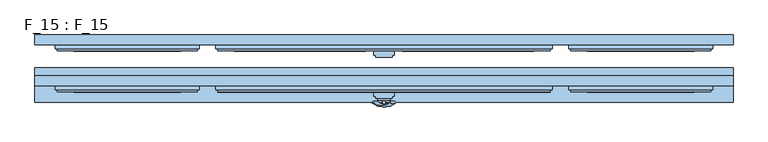
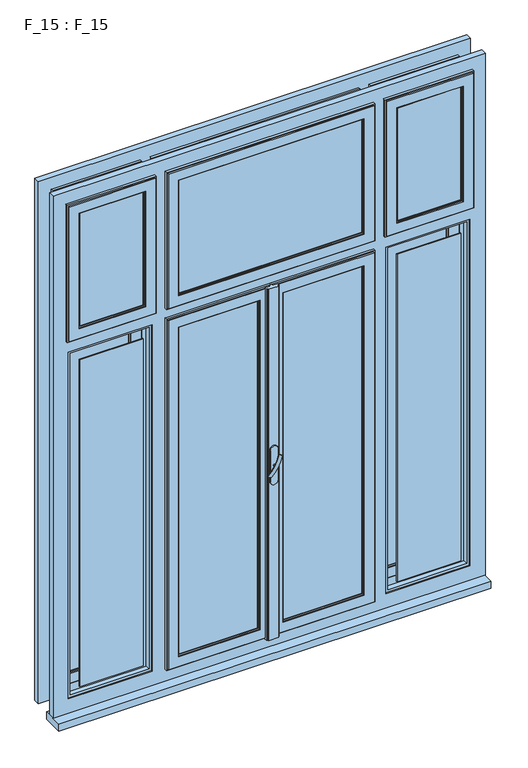
"""IFC4 building model written with IfcOpenShell, lengths in millimetres: window geometry, F_15 : F_15."""

from ifc_helpers import new_model, si_unit, point, frame, frame_2d, origin, place, context, project, spatial, polyline, circle_curve, ellipse_curve, trimmed, segment, composite_curve, outline, extrude, faceted_brep, source, transform, mapped, element, save
from ifc_brep_helpers import plane_surface, revolved_surface, advanced_brep


def f_15_f_15_3b615af8(model_context):
    return source(origin(), model_context, "Body", "SolidModel", [
        advanced_brep(
        [(-28.5497704, -85.2287724, 1583.0503474), (-14.693364, -85.2287724, 1575.0503474), (14.693364, -85.2287724, 1657.9496533), (28.5497704, -85.2287724, 1649.9496533)],
        [
            (0, 1, ellipse_curve(frame((-21.6215672, -85.2287724, 1579.0503474), z_axis=(-0.46984631039295827, 0.3420201433256777, -0.8137976813493676), x_axis=(0.8660254037844349, 0.0, -0.5000000000000066)), 8.0, 3.5)),
            (1, 0, ellipse_curve(frame((-21.6215672, -85.2287724, 1579.0503474), z_axis=(-0.46984631039295827, 0.3420201433256777, -0.8137976813493676), x_axis=(0.8660254037844349, 0.0, -0.5000000000000066)), 8.0, 3.5)),
            (2, 3, ellipse_curve(frame((21.6215672, -85.2287724, 1653.9496533), z_axis=(0.46984631039296154, 0.3420201433256599, 0.8137976813493732), x_axis=(0.8660254037844355, 0.0, -0.5000000000000056)), 8.0, 3.5)),
            (3, 2, ellipse_curve(frame((21.6215672, -85.2287724, 1653.9496533), z_axis=(0.46984631039296154, 0.3420201433256599, 0.8137976813493732), x_axis=(0.8660254037844355, 0.0, -0.5000000000000056)), 8.0, 3.5)),
            (3, 1, circle_curve(frame((6.9282032, 33.580763, 1612.5000003), z_axis=(0.8660254037844353, 0.0, -0.500000000000006), x_axis=(-0.1710100716628409, -0.9396926207859051, -0.29619813272603046)), 126.4344667)),
            (0, 2, circle_curve(frame((-6.9282032, 33.580763, 1620.5000003), z_axis=(-0.8660254037844353, 0.0, 0.500000000000006), x_axis=(-0.1710100716628409, -0.9396926207859051, -0.29619813272603046)), 126.4344667)),
        ],
        [
            plane_surface(frame((40.0926994, -82.5471681, 1544.5466146), z_axis=(-0.4698463103929582, 0.34202014332567776, -0.8137976813493677), x_axis=(-0.8660254037844352, 0.0, 0.500000000000006))),
            plane_surface(frame((82.3598097, -82.5471681, 1617.755397), z_axis=(0.4698463103929615, 0.34202014332565983, 0.8137976813493734), x_axis=(-0.8660254037844352, 0.0, 0.500000000000006))),
            revolved_surface(trimmed(ellipse_curve(frame((-21.6215672, -85.2287724, 1579.0503474), z_axis=(-0.46984631039295827, 0.3420201433256777, -0.8137976813493676), x_axis=(0.8660254037844349, 0.0, -0.5000000000000066)), 8.0, 3.5), [point((-28.5497704, -85.2287724, 1583.0503474))], [point((-14.693364, -85.2287724, 1575.0503474))], True, "CARTESIAN"), (61.2262546, 33.580763, 1581.1510058), (-0.8660254037844353, 0.0, 0.500000000000006)),
            revolved_surface(trimmed(ellipse_curve(frame((-21.6215672, -85.2287724, 1579.0503474), z_axis=(-0.46984631039295827, 0.3420201433256777, -0.8137976813493676), x_axis=(0.8660254037844349, 0.0, -0.5000000000000066)), 8.0, 3.5), [point((-14.693364, -85.2287724, 1575.0503474))], [point((-28.5497704, -85.2287724, 1583.0503474))], True, "CARTESIAN"), (61.2262546, 33.580763, 1581.1510058), (-0.8660254037844353, 0.0, 0.500000000000006)),
        ],
        [
            (0, [[1, 2]]),
            (1, [[3, 4]]),
            (2, [[5, -1, 6, -4]]),
            (3, [[-6, -2, -5, -3]]),
        ],
    ),
        extrude(outline(composite_curve([segment(trimmed(circle_curve(frame_2d((1616.5000003, 0.0)), 3.5), [point((1616.5000003, -3.5))], [point((1616.5000003, 3.5))], False, "CARTESIAN"), True, "CONTINUOUS"), segment(trimmed(circle_curve(frame_2d((1616.5000003, 0.0)), 3.5), [point((1616.5000003, 3.5))], [point((1616.5000003, -3.5))], False, "CARTESIAN"), True, "CONTINUOUS")], self_intersect=False)), frame((0.0, -90.0, 0.0), z_axis=(0.0, 1.0, 0.0), x_axis=(0.0, 0.0, 1.0)), (0.0, 0.0, 1.0), 10.0),
        extrude(outline(composite_curve([segment(polyline([(1680.8020112, -15.0), (1550.8020112, -15.0)]), True, "CONTINUOUS"), segment(trimmed(circle_curve(frame_2d((1550.8020112, 0.0)), 15.0), [point((1550.8020112, -15.0))], [point((1550.8020112, 15.0))], False, "CARTESIAN"), True, "CONTINUOUS"), segment(polyline([(1550.8020112, 15.0), (1680.8020112, 15.0)]), True, "CONTINUOUS"), segment(trimmed(circle_curve(frame_2d((1680.8020112, 0.0)), 15.0), [point((1680.8020112, 15.0))], [point((1680.8020112, -15.0))], False, "CARTESIAN"), True, "CONTINUOUS")], self_intersect=False)), frame((0.0, -80.0, 0.0), z_axis=(0.0, 1.0, 0.0), x_axis=(0.0, 0.0, 1.0)), (0.0, 0.0, 1.0), 5.0),
        extrude(outline(polyline([(850.0, -85.0), (-850.0, -85.0), (-850.0, 0.0), (850.0, 0.0), (850.0, -85.0)])), frame((0.0, 0.0, 810.0), z_axis=(0.0, 0.0, 1.0), x_axis=(1.0, 0.0, 0.0)), (0.0, 0.0, 1.0), 30.0),
        faceted_brep([(400.0, 60.0, 2950.0), (400.0, 55.0, 2950.0), (400.0, 55.0, 2400.0000003), (400.0, 60.0, 2400.0000003), (365.0, 55.0, 2915.0), (365.0, 60.0, 2915.0), (365.0, 60.0, 2435.0000003), (365.0, 55.0, 2435.0000003), (360.0, 45.0, 2910.0), (360.0, 55.0, 2910.0), (360.0, 55.0, 2440.0000003), (360.0, 45.0, 2440.0000003), (365.0, 40.0, 2915.0), (365.0, 45.0, 2915.0), (365.0, 45.0, 2435.0000003), (365.0, 40.0, 2435.0000003), (405.0, 45.0, 2955.0), (405.0, 40.0, 2955.0), (405.0, 40.0, 2395.0000003), (405.0, 45.0, 2395.0000003), (410.0, 55.0, 2960.0), (410.0, 45.0, 2960.0), (410.0, 45.0, 2390.0000003), (410.0, 55.0, 2390.0000003), (-400.0, 55.0, 2400.0000003), (-400.0, 60.0, 2400.0000003), (-365.0, 60.0, 2435.0000003), (-365.0, 55.0, 2435.0000003), (-360.0, 55.0, 2440.0000003), (-360.0, 45.0, 2440.0000003), (-365.0, 45.0, 2435.0000003), (-365.0, 40.0, 2435.0000003), (-405.0, 40.0, 2395.0000003), (-405.0, 45.0, 2395.0000003), (-410.0, 45.0, 2390.0000003), (-410.0, 55.0, 2390.0000003), (-400.0, 55.0, 2950.0), (-400.0, 60.0, 2950.0), (-365.0, 60.0, 2915.0), (-365.0, 55.0, 2915.0), (-360.0, 55.0, 2910.0), (-360.0, 45.0, 2910.0), (-365.0, 45.0, 2915.0), (-365.0, 40.0, 2915.0), (-405.0, 40.0, 2955.0), (-405.0, 45.0, 2955.0), (-410.0, 45.0, 2960.0), (-410.0, 55.0, 2960.0)], [[[0, 1, 2, 3]], [[4, 5, 6, 7]], [[8, 9, 10, 11]], [[12, 13, 14, 15]], [[16, 17, 18, 19]], [[20, 21, 22, 23]], [[3, 2, 24, 25]], [[7, 6, 26, 27]], [[11, 10, 28, 29]], [[15, 14, 30, 31]], [[19, 18, 32, 33]], [[23, 22, 34, 35]], [[25, 24, 36, 37]], [[27, 26, 38, 39]], [[29, 28, 40, 41]], [[31, 30, 42, 43]], [[33, 32, 44, 45]], [[35, 34, 46, 47]], [[23, 35, 47, 20], [1, 36, 24, 2]], [[37, 36, 1, 0]], [[3, 25, 37, 0], [5, 38, 26, 6]], [[39, 38, 5, 4]], [[7, 27, 39, 4], [9, 40, 28, 10]], [[41, 40, 9, 8]], [[13, 42, 30, 14], [11, 29, 41, 8]], [[43, 42, 13, 12]], [[17, 44, 32, 18], [15, 31, 43, 12]], [[45, 44, 17, 16]], [[21, 46, 34, 22], [19, 33, 45, 16]], [[47, 46, 21, 20]]]),
        faceted_brep([(460.0, 55.0, 2950.0), (460.0, 60.0, 2950.0), (460.0, 60.0, 2400.0000003), (460.0, 55.0, 2400.0000003), (495.0, 60.0, 2915.0), (495.0, 55.0, 2915.0), (495.0, 55.0, 2435.0000003), (495.0, 60.0, 2435.0000003), (500.0, 55.0, 2910.0), (500.0, 45.0, 2910.0), (500.0, 45.0, 2440.0000003), (500.0, 55.0, 2440.0000003), (495.0, 45.0, 2915.0), (495.0, 40.0, 2915.0), (495.0, 40.0, 2435.0000003), (495.0, 45.0, 2435.0000003), (455.0, 40.0, 2955.0), (455.0, 45.0, 2955.0), (455.0, 45.0, 2395.0000003), (455.0, 40.0, 2395.0000003), (450.0, 45.0, 2960.0), (450.0, 55.0, 2960.0), (450.0, 55.0, 2390.0000003), (450.0, 45.0, 2390.0000003), (790.0, 60.0, 2400.0000003), (790.0, 55.0, 2400.0000003), (755.0, 55.0, 2435.0000003), (755.0, 60.0, 2435.0000003), (750.0, 45.0, 2440.0000003), (750.0, 55.0, 2440.0000003), (755.0, 40.0, 2435.0000003), (755.0, 45.0, 2435.0000003), (795.0, 45.0, 2395.0000003), (795.0, 40.0, 2395.0000003), (800.0, 55.0, 2390.0000003), (800.0, 45.0, 2390.0000003), (790.0, 60.0, 2950.0), (790.0, 55.0, 2950.0), (755.0, 55.0, 2915.0), (755.0, 60.0, 2915.0), (750.0, 45.0, 2910.0), (750.0, 55.0, 2910.0), (755.0, 40.0, 2915.0), (755.0, 45.0, 2915.0), (795.0, 45.0, 2955.0), (795.0, 40.0, 2955.0), (800.0, 55.0, 2960.0), (800.0, 45.0, 2960.0)], [[[0, 1, 2, 3]], [[4, 5, 6, 7]], [[8, 9, 10, 11]], [[12, 13, 14, 15]], [[16, 17, 18, 19]], [[20, 21, 22, 23]], [[3, 2, 24, 25]], [[7, 6, 26, 27]], [[11, 10, 28, 29]], [[15, 14, 30, 31]], [[19, 18, 32, 33]], [[23, 22, 34, 35]], [[25, 24, 36, 37]], [[27, 26, 38, 39]], [[29, 28, 40, 41]], [[31, 30, 42, 43]], [[33, 32, 44, 45]], [[35, 34, 46, 47]], [[21, 46, 34, 22], [3, 25, 37, 0]], [[37, 36, 1, 0]], [[1, 36, 24, 2], [7, 27, 39, 4]], [[39, 38, 5, 4]], [[5, 38, 26, 6], [11, 29, 41, 8]], [[41, 40, 9, 8]], [[15, 31, 43, 12], [9, 40, 28, 10]], [[43, 42, 13, 12]], [[19, 33, 45, 16], [13, 42, 30, 14]], [[45, 44, 17, 16]], [[23, 35, 47, 20], [17, 44, 32, 18]], [[47, 46, 21, 20]]]),
        faceted_brep([(-460.0, 60.0, 2950.0), (-460.0, 55.0, 2950.0), (-460.0, 55.0, 2400.0000003), (-460.0, 60.0, 2400.0000003), (-495.0, 55.0, 2915.0), (-495.0, 60.0, 2915.0), (-495.0, 60.0, 2435.0000003), (-495.0, 55.0, 2435.0000003), (-500.0, 45.0, 2910.0), (-500.0, 55.0, 2910.0), (-500.0, 55.0, 2440.0000003), (-500.0, 45.0, 2440.0000003), (-495.0, 40.0, 2915.0), (-495.0, 45.0, 2915.0), (-495.0, 45.0, 2435.0000003), (-495.0, 40.0, 2435.0000003), (-455.0, 45.0, 2955.0), (-455.0, 40.0, 2955.0), (-455.0, 40.0, 2395.0000003), (-455.0, 45.0, 2395.0000003), (-450.0, 55.0, 2960.0), (-450.0, 45.0, 2960.0), (-450.0, 45.0, 2390.0000003), (-450.0, 55.0, 2390.0000003), (-790.0, 55.0, 2400.0000003), (-790.0, 60.0, 2400.0000003), (-755.0, 60.0, 2435.0000003), (-755.0, 55.0, 2435.0000003), (-750.0, 55.0, 2440.0000003), (-750.0, 45.0, 2440.0000003), (-755.0, 45.0, 2435.0000003), (-755.0, 40.0, 2435.0000003), (-795.0, 40.0, 2395.0000003), (-795.0, 45.0, 2395.0000003), (-800.0, 45.0, 2390.0000003), (-800.0, 55.0, 2390.0000003), (-790.0, 55.0, 2950.0), (-790.0, 60.0, 2950.0), (-755.0, 60.0, 2915.0), (-755.0, 55.0, 2915.0), (-750.0, 55.0, 2910.0), (-750.0, 45.0, 2910.0), (-755.0, 45.0, 2915.0), (-755.0, 40.0, 2915.0), (-795.0, 40.0, 2955.0), (-795.0, 45.0, 2955.0), (-800.0, 45.0, 2960.0), (-800.0, 55.0, 2960.0)], [[[0, 1, 2, 3]], [[4, 5, 6, 7]], [[8, 9, 10, 11]], [[12, 13, 14, 15]], [[16, 17, 18, 19]], [[20, 21, 22, 23]], [[3, 2, 24, 25]], [[7, 6, 26, 27]], [[11, 10, 28, 29]], [[15, 14, 30, 31]], [[19, 18, 32, 33]], [[23, 22, 34, 35]], [[25, 24, 36, 37]], [[27, 26, 38, 39]], [[29, 28, 40, 41]], [[31, 30, 42, 43]], [[33, 32, 44, 45]], [[35, 34, 46, 47]], [[23, 35, 47, 20], [1, 36, 24, 2]], [[37, 36, 1, 0]], [[3, 25, 37, 0], [5, 38, 26, 6]], [[39, 38, 5, 4]], [[7, 27, 39, 4], [9, 40, 28, 10]], [[41, 40, 9, 8]], [[13, 42, 30, 14], [11, 29, 41, 8]], [[43, 42, 13, 12]], [[17, 44, 32, 18], [15, 31, 43, 12]], [[45, 44, 17, 16]], [[21, 46, 34, 22], [19, 33, 45, 16]], [[47, 46, 21, 20]]]),
        faceted_brep([(400.0, -40.0, 2950.0), (400.0, -45.0, 2950.0), (400.0, -45.0, 2400.0000003), (400.0, -40.0, 2400.0000003), (365.0, -45.0, 2915.0), (365.0, -40.0, 2915.0), (365.0, -40.0, 2435.0000003), (365.0, -45.0, 2435.0000003), (360.0, -55.0, 2910.0), (360.0, -45.0, 2910.0), (360.0, -45.0, 2440.0000003), (360.0, -55.0, 2440.0000003), (365.0, -60.0, 2915.0), (365.0, -55.0, 2915.0), (365.0, -55.0, 2435.0000003), (365.0, -60.0, 2435.0000003), (405.0, -55.0, 2955.0), (405.0, -60.0, 2955.0), (405.0, -60.0, 2395.0000003), (405.0, -55.0, 2395.0000003), (410.0, -45.0, 2960.0), (410.0, -55.0, 2960.0), (410.0, -55.0, 2390.0000003), (410.0, -45.0, 2390.0000003), (-400.0, -45.0, 2400.0000003), (-400.0, -40.0, 2400.0000003), (-365.0, -40.0, 2435.0000003), (-365.0, -45.0, 2435.0000003), (-360.0, -45.0, 2440.0000003), (-360.0, -55.0, 2440.0000003), (-365.0, -55.0, 2435.0000003), (-365.0, -60.0, 2435.0000003), (-405.0, -60.0, 2395.0000003), (-405.0, -55.0, 2395.0000003), (-410.0, -55.0, 2390.0000003), (-410.0, -45.0, 2390.0000003), (-400.0, -45.0, 2950.0), (-400.0, -40.0, 2950.0), (-365.0, -40.0, 2915.0), (-365.0, -45.0, 2915.0), (-360.0, -45.0, 2910.0), (-360.0, -55.0, 2910.0), (-365.0, -55.0, 2915.0), (-365.0, -60.0, 2915.0), (-405.0, -60.0, 2955.0), (-405.0, -55.0, 2955.0), (-410.0, -55.0, 2960.0), (-410.0, -45.0, 2960.0)], [[[0, 1, 2, 3]], [[4, 5, 6, 7]], [[8, 9, 10, 11]], [[12, 13, 14, 15]], [[16, 17, 18, 19]], [[20, 21, 22, 23]], [[3, 2, 24, 25]], [[7, 6, 26, 27]], [[11, 10, 28, 29]], [[15, 14, 30, 31]], [[19, 18, 32, 33]], [[23, 22, 34, 35]], [[25, 24, 36, 37]], [[27, 26, 38, 39]], [[29, 28, 40, 41]], [[31, 30, 42, 43]], [[33, 32, 44, 45]], [[35, 34, 46, 47]], [[23, 35, 47, 20], [1, 36, 24, 2]], [[37, 36, 1, 0]], [[3, 25, 37, 0], [5, 38, 26, 6]], [[39, 38, 5, 4]], [[7, 27, 39, 4], [9, 40, 28, 10]], [[41, 40, 9, 8]], [[13, 42, 30, 14], [11, 29, 41, 8]], [[43, 42, 13, 12]], [[17, 44, 32, 18], [15, 31, 43, 12]], [[45, 44, 17, 16]], [[21, 46, 34, 22], [19, 33, 45, 16]], [[47, 46, 21, 20]]]),
        faceted_brep([(460.0, -45.0, 2950.0), (460.0, -40.0, 2950.0), (460.0, -40.0, 2400.0000003), (460.0, -45.0, 2400.0000003), (495.0, -40.0, 2915.0), (495.0, -45.0, 2915.0), (495.0, -45.0, 2435.0000003), (495.0, -40.0, 2435.0000003), (500.0, -45.0, 2910.0), (500.0, -55.0, 2910.0), (500.0, -55.0, 2440.0000003), (500.0, -45.0, 2440.0000003), (495.0, -55.0, 2915.0), (495.0, -60.0, 2915.0), (495.0, -60.0, 2435.0000003), (495.0, -55.0, 2435.0000003), (455.0, -60.0, 2955.0), (455.0, -55.0, 2955.0), (455.0, -55.0, 2395.0000003), (455.0, -60.0, 2395.0000003), (450.0, -55.0, 2960.0), (450.0, -45.0, 2960.0), (450.0, -45.0, 2390.0000003), (450.0, -55.0, 2390.0000003), (790.0, -40.0, 2400.0000003), (790.0, -45.0, 2400.0000003), (755.0, -45.0, 2435.0000003), (755.0, -40.0, 2435.0000003), (750.0, -55.0, 2440.0000003), (750.0, -45.0, 2440.0000003), (755.0, -60.0, 2435.0000003), (755.0, -55.0, 2435.0000003), (795.0, -55.0, 2395.0000003), (795.0, -60.0, 2395.0000003), (800.0, -45.0, 2390.0000003), (800.0, -55.0, 2390.0000003), (790.0, -40.0, 2950.0), (790.0, -45.0, 2950.0), (755.0, -45.0, 2915.0), (755.0, -40.0, 2915.0), (750.0, -55.0, 2910.0), (750.0, -45.0, 2910.0), (755.0, -60.0, 2915.0), (755.0, -55.0, 2915.0), (795.0, -55.0, 2955.0), (795.0, -60.0, 2955.0), (800.0, -45.0, 2960.0), (800.0, -55.0, 2960.0)], [[[0, 1, 2, 3]], [[4, 5, 6, 7]], [[8, 9, 10, 11]], [[12, 13, 14, 15]], [[16, 17, 18, 19]], [[20, 21, 22, 23]], [[3, 2, 24, 25]], [[7, 6, 26, 27]], [[11, 10, 28, 29]], [[15, 14, 30, 31]], [[19, 18, 32, 33]], [[23, 22, 34, 35]], [[25, 24, 36, 37]], [[27, 26, 38, 39]], [[29, 28, 40, 41]], [[31, 30, 42, 43]], [[33, 32, 44, 45]], [[35, 34, 46, 47]], [[21, 46, 34, 22], [3, 25, 37, 0]], [[37, 36, 1, 0]], [[1, 36, 24, 2], [7, 27, 39, 4]], [[39, 38, 5, 4]], [[5, 38, 26, 6], [11, 29, 41, 8]], [[41, 40, 9, 8]], [[15, 31, 43, 12], [9, 40, 28, 10]], [[43, 42, 13, 12]], [[19, 33, 45, 16], [13, 42, 30, 14]], [[45, 44, 17, 16]], [[23, 35, 47, 20], [17, 44, 32, 18]], [[47, 46, 21, 20]]]),
        faceted_brep([(-460.0, -40.0, 2950.0), (-460.0, -45.0, 2950.0), (-460.0, -45.0, 2400.0000003), (-460.0, -40.0, 2400.0000003), (-495.0, -45.0, 2915.0), (-495.0, -40.0, 2915.0), (-495.0, -40.0, 2435.0000003), (-495.0, -45.0, 2435.0000003), (-500.0, -55.0, 2910.0), (-500.0, -45.0, 2910.0), (-500.0, -45.0, 2440.0000003), (-500.0, -55.0, 2440.0000003), (-495.0, -60.0, 2915.0), (-495.0, -55.0, 2915.0), (-495.0, -55.0, 2435.0000003), (-495.0, -60.0, 2435.0000003), (-455.0, -55.0, 2955.0), (-455.0, -60.0, 2955.0), (-455.0, -60.0, 2395.0000003), (-455.0, -55.0, 2395.0000003), (-450.0, -45.0, 2960.0), (-450.0, -55.0, 2960.0), (-450.0, -55.0, 2390.0000003), (-450.0, -45.0, 2390.0000003), (-790.0, -45.0, 2400.0000003), (-790.0, -40.0, 2400.0000003), (-755.0, -40.0, 2435.0000003), (-755.0, -45.0, 2435.0000003), (-750.0, -45.0, 2440.0000003), (-750.0, -55.0, 2440.0000003), (-755.0, -55.0, 2435.0000003), (-755.0, -60.0, 2435.0000003), (-795.0, -60.0, 2395.0000003), (-795.0, -55.0, 2395.0000003), (-800.0, -55.0, 2390.0000003), (-800.0, -45.0, 2390.0000003), (-790.0, -45.0, 2950.0), (-790.0, -40.0, 2950.0), (-755.0, -40.0, 2915.0), (-755.0, -45.0, 2915.0), (-750.0, -45.0, 2910.0), (-750.0, -55.0, 2910.0), (-755.0, -55.0, 2915.0), (-755.0, -60.0, 2915.0), (-795.0, -60.0, 2955.0), (-795.0, -55.0, 2955.0), (-800.0, -55.0, 2960.0), (-800.0, -45.0, 2960.0)], [[[0, 1, 2, 3]], [[4, 5, 6, 7]], [[8, 9, 10, 11]], [[12, 13, 14, 15]], [[16, 17, 18, 19]], [[20, 21, 22, 23]], [[3, 2, 24, 25]], [[7, 6, 26, 27]], [[11, 10, 28, 29]], [[15, 14, 30, 31]], [[19, 18, 32, 33]], [[23, 22, 34, 35]], [[25, 24, 36, 37]], [[27, 26, 38, 39]], [[29, 28, 40, 41]], [[31, 30, 42, 43]], [[33, 32, 44, 45]], [[35, 34, 46, 47]], [[23, 35, 47, 20], [1, 36, 24, 2]], [[37, 36, 1, 0]], [[3, 25, 37, 0], [5, 38, 26, 6]], [[39, 38, 5, 4]], [[7, 27, 39, 4], [9, 40, 28, 10]], [[41, 40, 9, 8]], [[13, 42, 30, 14], [11, 29, 41, 8]], [[43, 42, 13, 12]], [[17, 44, 32, 18], [15, 31, 43, 12]], [[45, 44, 17, 16]], [[21, 46, 34, 22], [19, 33, 45, 16]], [[47, 46, 21, 20]]]),
        faceted_brep([(-850.0, 79.0, 840.0), (850.0, 79.0, 840.0), (850.0, 55.0, 840.0), (-850.0, 55.0, 840.0), (-850.0, 55.0, 3010.0), (-850.0, 79.0, 3010.0), (850.0, 55.0, 3010.0), (790.0, 55.0, 2340.0000007), (790.0, 55.0, 900.0), (460.0, 55.0, 900.0), (460.0, 55.0, 2340.0000007), (-790.0, 55.0, 2340.0000007), (-460.0, 55.0, 2340.0000007), (-460.0, 55.0, 900.0), (-790.0, 55.0, 900.0), (-400.0, 55.0, 2340.0000007), (400.0, 55.0, 2340.0000007), (400.0, 55.0, 900.0), (-400.0, 55.0, 900.0), (790.0, 55.0, 2950.0), (790.0, 55.0, 2400.0000007), (460.0, 55.0, 2400.0000007), (460.0, 55.0, 2950.0), (-790.0, 55.0, 2950.0), (-460.0, 55.0, 2950.0), (-460.0, 55.0, 2400.0000007), (-790.0, 55.0, 2400.0000007), (-400.0, 55.0, 2950.0), (400.0, 55.0, 2950.0), (400.0, 55.0, 2400.0000007), (-400.0, 55.0, 2400.0000007), (850.0, 79.0, 3010.0), (780.0, 79.0, 910.0), (780.0, 79.0, 2330.0000007), (470.0, 79.0, 2330.0000007), (470.0, 79.0, 910.0), (-780.0, 79.0, 910.0), (-470.0, 79.0, 910.0), (-470.0, 79.0, 2330.0000007), (-780.0, 79.0, 2330.0000007), (-390.0, 79.0, 910.0), (390.0, 79.0, 910.0), (390.0, 79.0, 2330.0000007), (-390.0, 79.0, 2330.0000007), (780.0, 79.0, 2410.0000007), (780.0, 79.0, 2940.0), (470.0, 79.0, 2940.0), (470.0, 79.0, 2410.0000007), (-780.0, 79.0, 2410.0000007), (-470.0, 79.0, 2410.0000007), (-470.0, 79.0, 2940.0), (-780.0, 79.0, 2940.0), (-390.0, 79.0, 2410.0000007), (390.0, 79.0, 2410.0000007), (390.0, 79.0, 2940.0), (-390.0, 79.0, 2940.0), (790.0, 60.0, 900.0), (790.0, 60.0, 2340.0000007), (460.0, 60.0, 2340.0000007), (460.0, 60.0, 900.0), (780.0, 60.0, 2330.0000007), (780.0, 60.0, 910.0), (470.0, 60.0, 910.0), (470.0, 60.0, 2330.0000007), (-790.0, 60.0, 2340.0000007), (-790.0, 60.0, 900.0), (-460.0, 60.0, 900.0), (-460.0, 60.0, 2340.0000007), (-780.0, 60.0, 910.0), (-780.0, 60.0, 2330.0000007), (-470.0, 60.0, 2330.0000007), (-470.0, 60.0, 910.0), (400.0, 60.0, 900.0), (400.0, 60.0, 2340.0000007), (-400.0, 60.0, 2340.0000007), (-400.0, 60.0, 900.0), (390.0, 60.0, 910.0), (-390.0, 60.0, 910.0), (-390.0, 60.0, 2330.0000007), (390.0, 60.0, 2330.0000007), (-790.0, 60.0, 2950.0), (-790.0, 60.0, 2400.0000007), (-460.0, 60.0, 2400.0000007), (-460.0, 60.0, 2950.0), (-780.0, 60.0, 2410.0000007), (-780.0, 60.0, 2940.0), (-470.0, 60.0, 2940.0), (-470.0, 60.0, 2410.0000007), (790.0, 60.0, 2400.0000007), (790.0, 60.0, 2950.0), (460.0, 60.0, 2950.0), (460.0, 60.0, 2400.0000007), (780.0, 60.0, 2940.0), (780.0, 60.0, 2410.0000007), (470.0, 60.0, 2410.0000007), (470.0, 60.0, 2940.0), (400.0, 60.0, 2400.0000007), (400.0, 60.0, 2950.0), (-400.0, 60.0, 2950.0), (-400.0, 60.0, 2400.0000007), (-390.0, 60.0, 2940.0), (390.0, 60.0, 2940.0), (390.0, 60.0, 2410.0000007), (-390.0, 60.0, 2410.0000007)], [[[0, 1, 2, 3]], [[0, 3, 4, 5]], [[4, 3, 2, 6], [7, 8, 9, 10], [11, 12, 13, 14], [15, 16, 17, 18], [19, 20, 21, 22], [23, 24, 25, 26], [27, 28, 29, 30]], [[0, 5, 31, 1], [32, 33, 34, 35], [36, 37, 38, 39], [40, 41, 42, 43], [44, 45, 46, 47], [48, 49, 50, 51], [52, 53, 54, 55]], [[31, 6, 2, 1]], [[56, 57, 58, 59], [60, 61, 62, 63]], [[64, 65, 66, 67], [68, 69, 70, 71]], [[72, 73, 74, 75], [76, 77, 78, 79]], [[80, 81, 82, 83], [84, 85, 86, 87]], [[88, 89, 90, 91], [92, 93, 94, 95]], [[96, 97, 98, 99], [100, 101, 102, 103]], [[32, 61, 60, 33]], [[92, 45, 44, 93]], [[77, 76, 41, 40]], [[61, 32, 35, 62]], [[36, 68, 71, 37]], [[63, 62, 35, 34]], [[95, 94, 47, 46]], [[68, 36, 39, 69]], [[51, 85, 84, 48]], [[71, 70, 38, 37]], [[87, 86, 50, 49]], [[14, 65, 64, 11]], [[80, 23, 26, 81]], [[18, 17, 72, 75]], [[66, 65, 14, 13]], [[8, 56, 59, 9]], [[67, 66, 13, 12]], [[25, 24, 83, 82]], [[56, 8, 7, 57]], [[19, 89, 88, 20]], [[59, 58, 10, 9]], [[22, 21, 91, 90]], [[78, 77, 40, 43]], [[100, 103, 52, 55]], [[76, 79, 42, 41]], [[102, 101, 54, 53]], [[73, 72, 17, 16]], [[29, 28, 97, 96]], [[75, 74, 15, 18]], [[27, 30, 99, 98]], [[4, 6, 31, 5]], [[79, 78, 43, 42]], [[33, 60, 63, 34]], [[69, 39, 38, 70]], [[103, 102, 53, 52]], [[93, 44, 47, 94]], [[48, 84, 87, 49]], [[101, 100, 55, 54]], [[45, 92, 95, 46]], [[85, 51, 50, 86]], [[58, 57, 7, 10]], [[74, 73, 16, 15]], [[11, 64, 67, 12]], [[82, 81, 26, 25]], [[96, 99, 30, 29]], [[20, 88, 91, 21]], [[28, 27, 98, 97]], [[90, 89, 19, 22]], [[23, 80, 83, 24]]]),
        faceted_brep([(850.0, -21.0, 3010.0), (850.0, -45.0, 3010.0), (850.0, -45.0, 840.0), (850.0, -21.0, 840.0), (-850.0, -45.0, 840.0), (-850.0, -21.0, 840.0), (-850.0, -45.0, 3010.0), (-460.0, -45.0, 900.0), (-790.0, -45.0, 900.0), (-790.0, -45.0, 2340.0000007), (-460.0, -45.0, 2340.0000007), (790.0, -45.0, 900.0), (460.0, -45.0, 900.0), (460.0, -45.0, 2340.0000007), (790.0, -45.0, 2340.0000007), (400.0, -45.0, 900.0), (-400.0, -45.0, 900.0), (-400.0, -45.0, 2340.0000007), (400.0, -45.0, 2340.0000007), (-790.0, -45.0, 2950.0), (-460.0, -45.0, 2950.0), (-460.0, -45.0, 2400.0000007), (-790.0, -45.0, 2400.0000007), (-400.0, -45.0, 2950.0), (400.0, -45.0, 2950.0), (400.0, -45.0, 2400.0000007), (-400.0, -45.0, 2400.0000007), (460.0, -45.0, 2950.0), (790.0, -45.0, 2950.0), (790.0, -45.0, 2400.0000007), (460.0, -45.0, 2400.0000007), (-850.0, -21.0, 3010.0), (-780.0, -21.0, 910.0), (-470.0, -21.0, 910.0), (-470.0, -21.0, 2330.0000007), (-780.0, -21.0, 2330.0000007), (-390.0, -21.0, 910.0), (390.0, -21.0, 910.0), (390.0, -21.0, 2330.0000007), (-390.0, -21.0, 2330.0000007), (470.0, -21.0, 910.0), (780.0, -21.0, 910.0), (780.0, -21.0, 2330.0000007), (470.0, -21.0, 2330.0000007), (-470.0, -21.0, 2940.0), (-780.0, -21.0, 2940.0), (-780.0, -21.0, 2410.0000007), (-470.0, -21.0, 2410.0000007), (780.0, -21.0, 2940.0), (470.0, -21.0, 2940.0), (470.0, -21.0, 2410.0000007), (780.0, -21.0, 2410.0000007), (390.0, -21.0, 2940.0), (-390.0, -21.0, 2940.0), (-390.0, -21.0, 2410.0000007), (390.0, -21.0, 2410.0000007), (-790.0, -40.0, 900.0), (-460.0, -40.0, 900.0), (-460.0, -40.0, 2340.0000007), (-790.0, -40.0, 2340.0000007), (-470.0, -40.0, 910.0), (-780.0, -40.0, 910.0), (-780.0, -40.0, 2330.0000007), (-470.0, -40.0, 2330.0000007), (460.0, -40.0, 900.0), (790.0, -40.0, 900.0), (790.0, -40.0, 2340.0000007), (460.0, -40.0, 2340.0000007), (780.0, -40.0, 910.0), (470.0, -40.0, 910.0), (470.0, -40.0, 2330.0000007), (780.0, -40.0, 2330.0000007), (-400.0, -40.0, 900.0), (400.0, -40.0, 900.0), (400.0, -40.0, 2340.0000007), (-400.0, -40.0, 2340.0000007), (390.0, -40.0, 910.0), (-390.0, -40.0, 910.0), (-390.0, -40.0, 2330.0000007), (390.0, -40.0, 2330.0000007), (-460.0, -40.0, 2950.0), (-790.0, -40.0, 2950.0), (-790.0, -40.0, 2400.0000007), (-460.0, -40.0, 2400.0000007), (-780.0, -40.0, 2940.0), (-470.0, -40.0, 2940.0), (-470.0, -40.0, 2410.0000007), (-780.0, -40.0, 2410.0000007), (790.0, -40.0, 2950.0), (460.0, -40.0, 2950.0), (460.0, -40.0, 2400.0000007), (790.0, -40.0, 2400.0000007), (470.0, -40.0, 2940.0), (780.0, -40.0, 2940.0), (780.0, -40.0, 2410.0000007), (470.0, -40.0, 2410.0000007), (400.0, -40.0, 2950.0), (-400.0, -40.0, 2950.0), (-400.0, -40.0, 2400.0000007), (400.0, -40.0, 2400.0000007), (-390.0, -40.0, 2940.0), (390.0, -40.0, 2940.0), (390.0, -40.0, 2410.0000007), (-390.0, -40.0, 2410.0000007)], [[[0, 1, 2, 3]], [[3, 2, 4, 5]], [[1, 6, 4, 2], [7, 8, 9, 10], [11, 12, 13, 14], [15, 16, 17, 18], [19, 20, 21, 22], [23, 24, 25, 26], [27, 28, 29, 30]], [[5, 4, 6, 31]], [[31, 0, 3, 5], [32, 33, 34, 35], [36, 37, 38, 39], [40, 41, 42, 43], [44, 45, 46, 47], [48, 49, 50, 51], [52, 53, 54, 55]], [[56, 57, 58, 59], [60, 61, 62, 63]], [[64, 65, 66, 67], [68, 69, 70, 71]], [[72, 73, 74, 75], [76, 77, 78, 79]], [[80, 81, 82, 83], [84, 85, 86, 87]], [[88, 89, 90, 91], [92, 93, 94, 95]], [[96, 97, 98, 99], [100, 101, 102, 103]], [[37, 36, 77, 76]], [[68, 41, 40, 69]], [[32, 61, 60, 33]], [[61, 32, 35, 62]], [[45, 84, 87, 46]], [[33, 60, 63, 34]], [[85, 44, 47, 86]], [[69, 40, 43, 70]], [[49, 92, 95, 50]], [[41, 68, 71, 42]], [[93, 48, 51, 94]], [[77, 36, 39, 78]], [[53, 100, 103, 54]], [[37, 76, 79, 38]], [[101, 52, 55, 102]], [[16, 15, 73, 72]], [[11, 65, 64, 12]], [[56, 8, 7, 57]], [[57, 7, 10, 58]], [[20, 80, 83, 21]], [[8, 56, 59, 9]], [[81, 19, 22, 82]], [[65, 11, 14, 66]], [[28, 88, 91, 29]], [[12, 64, 67, 13]], [[89, 27, 30, 90]], [[73, 15, 18, 74]], [[24, 96, 99, 25]], [[16, 72, 75, 17]], [[97, 23, 26, 98]], [[1, 0, 31, 6]], [[63, 62, 35, 34]], [[71, 70, 43, 42]], [[79, 78, 39, 38]], [[53, 52, 101, 100]], [[84, 45, 44, 85]], [[48, 93, 92, 49]], [[87, 86, 47, 46]], [[95, 94, 51, 50]], [[103, 102, 55, 54]], [[24, 23, 97, 96]], [[88, 28, 27, 89]], [[19, 81, 80, 20]], [[22, 21, 83, 82]], [[26, 25, 99, 98]], [[30, 29, 91, 90]], [[10, 9, 59, 58]], [[18, 17, 75, 74]], [[14, 13, 67, 66]]]),
        faceted_brep([(-400.0000003, 55.0, 900.0), (-400.0000003, 60.0, 900.0), (-9.9999997, 60.0, 900.0), (-9.9999997, 55.0, 900.0), (-9.9999997, 60.0, 2340.0000007), (-9.9999997, 55.0, 2340.0000007), (-400.0000003, 60.0, 2340.0000007), (-44.9999997, 60.0, 2305.0000007), (-365.0000003, 60.0, 2305.0000007), (-365.0000003, 60.0, 935.0), (-44.9999997, 60.0, 935.0), (3e-07, 55.0, 890.0), (-410.0000003, 55.0, 890.0), (-410.0000003, 55.0, 2350.0000007), (3e-07, 55.0, 2350.0000007), (-400.0000003, 55.0, 2340.0000007), (-365.0000003, 55.0, 935.0), (-44.9999997, 55.0, 935.0), (-44.9999997, 55.0, 2305.0000007), (-365.0000003, 55.0, 2305.0000007), (-49.9999997, 55.0, 2300.0000007), (-360.0000003, 55.0, 2300.0000007), (-360.0000003, 55.0, 940.0), (-49.9999997, 55.0, 940.0), (-360.0000003, 45.0, 940.0), (-49.9999997, 45.0, 940.0), (-49.9999997, 45.0, 2300.0000007), (-44.9999997, 45.0, 2305.0000007), (-365.0000003, 45.0, 2305.0000007), (-365.0000003, 45.0, 935.0), (-44.9999997, 45.0, 935.0), (-360.0000003, 45.0, 2300.0000007), (-365.0000003, 40.0, 935.0), (-44.9999997, 40.0, 935.0), (-44.9999997, 40.0, 2305.0000007), (-4.9999997, 40.0, 2345.0000007), (-405.0000003, 40.0, 2345.0000007), (-405.0000003, 40.0, 895.0), (-4.9999997, 40.0, 895.0), (-365.0000003, 40.0, 2305.0000007), (-405.0000003, 45.0, 895.0), (-4.9999997, 45.0, 895.0), (-4.9999997, 45.0, 2345.0000007), (3e-07, 45.0, 2350.0000007), (-410.0000003, 45.0, 2350.0000007), (-410.0000003, 45.0, 890.0), (3e-07, 45.0, 890.0), (-405.0000003, 45.0, 2345.0000007)], [[[0, 1, 2, 3]], [[3, 2, 4, 5]], [[2, 1, 6, 4], [7, 8, 9, 10]], [[11, 12, 13, 14], [5, 15, 0, 3]], [[9, 16, 17, 10]], [[10, 17, 18, 7]], [[17, 16, 19, 18], [20, 21, 22, 23]], [[22, 24, 25, 23]], [[23, 25, 26, 20]], [[27, 28, 29, 30], [25, 24, 31, 26]], [[29, 32, 33, 30]], [[30, 33, 34, 27]], [[35, 36, 37, 38], [33, 32, 39, 34]], [[37, 40, 41, 38]], [[38, 41, 42, 35]], [[43, 44, 45, 46], [41, 40, 47, 42]], [[45, 12, 11, 46]], [[46, 11, 14, 43]], [[15, 6, 1, 0]], [[8, 19, 16, 9]], [[21, 31, 24, 22]], [[28, 39, 32, 29]], [[36, 47, 40, 37]], [[44, 13, 12, 45]], [[5, 4, 6, 15]], [[7, 18, 19, 8]], [[27, 34, 39, 28]], [[35, 42, 47, 36]], [[43, 14, 13, 44]], [[20, 26, 31, 21]]]),
        faceted_brep([(-400.0000003, -45.0, 900.0), (-400.0000003, -40.0, 900.0), (-9.9999997, -40.0, 900.0), (-9.9999997, -45.0, 900.0), (-9.9999997, -40.0, 2340.0000007), (-9.9999997, -45.0, 2340.0000007), (-400.0000003, -40.0, 2340.0000007), (-44.9999997, -40.0, 2305.0000007), (-365.0000003, -40.0, 2305.0000007), (-365.0000003, -40.0, 935.0), (-44.9999997, -40.0, 935.0), (3e-07, -45.0, 890.0), (-410.0000003, -45.0, 890.0), (-410.0000003, -45.0, 2350.0000007), (3e-07, -45.0, 2350.0000007), (-400.0000003, -45.0, 2340.0000007), (-365.0000003, -45.0, 935.0), (-44.9999997, -45.0, 935.0), (-44.9999997, -45.0, 2305.0000007), (-365.0000003, -45.0, 2305.0000007), (-49.9999997, -45.0, 2300.0000007), (-360.0000003, -45.0, 2300.0000007), (-360.0000003, -45.0, 940.0), (-49.9999997, -45.0, 940.0), (-360.0000003, -55.0, 940.0), (-49.9999997, -55.0, 940.0), (-49.9999997, -55.0, 2300.0000007), (-44.9999997, -55.0, 2305.0000007), (-365.0000003, -55.0, 2305.0000007), (-365.0000003, -55.0, 935.0), (-44.9999997, -55.0, 935.0), (-360.0000003, -55.0, 2300.0000007), (-365.0000003, -60.0, 935.0), (-44.9999997, -60.0, 935.0), (-44.9999997, -60.0, 2305.0000007), (-4.9999997, -60.0, 2345.0000007), (-405.0000003, -60.0, 2345.0000007), (-405.0000003, -60.0, 895.0), (-4.9999997, -60.0, 895.0), (-365.0000003, -60.0, 2305.0000007), (-405.0000003, -55.0, 895.0), (-4.9999997, -55.0, 895.0), (-4.9999997, -55.0, 2345.0000007), (3e-07, -55.0, 2350.0000007), (-410.0000003, -55.0, 2350.0000007), (-410.0000003, -55.0, 890.0), (3e-07, -55.0, 890.0), (-405.0000003, -55.0, 2345.0000007)], [[[0, 1, 2, 3]], [[3, 2, 4, 5]], [[2, 1, 6, 4], [7, 8, 9, 10]], [[11, 12, 13, 14], [5, 15, 0, 3]], [[9, 16, 17, 10]], [[10, 17, 18, 7]], [[17, 16, 19, 18], [20, 21, 22, 23]], [[22, 24, 25, 23]], [[23, 25, 26, 20]], [[27, 28, 29, 30], [25, 24, 31, 26]], [[29, 32, 33, 30]], [[30, 33, 34, 27]], [[35, 36, 37, 38], [33, 32, 39, 34]], [[37, 40, 41, 38]], [[38, 41, 42, 35]], [[43, 44, 45, 46], [41, 40, 47, 42]], [[45, 12, 11, 46]], [[46, 11, 14, 43]], [[15, 6, 1, 0]], [[8, 19, 16, 9]], [[21, 31, 24, 22]], [[28, 39, 32, 29]], [[36, 47, 40, 37]], [[44, 13, 12, 45]], [[5, 4, 6, 15]], [[7, 18, 19, 8]], [[27, 34, 39, 28]], [[35, 42, 47, 36]], [[43, 14, 13, 44]], [[20, 26, 31, 21]]]),
        extrude(outline(polyline([(-500.0, 48.0), (-750.0, 48.0), (-750.0, 52.0), (-500.0, 52.0), (-500.0, 48.0)])), frame((0.0, 0.0, 2440.0000003), z_axis=(0.0, 0.0, 1.0), x_axis=(1.0, 0.0, 0.0)), (0.0, 0.0, 1.0), 469.9999997),
        extrude(outline(polyline([(360.0, 48.0), (-360.0, 48.0), (-360.0, 52.0), (360.0, 52.0), (360.0, 48.0)])), frame((0.0, 0.0, 2440.0000003), z_axis=(0.0, 0.0, 1.0), x_axis=(1.0, 0.0, 0.0)), (0.0, 0.0, 1.0), 469.9999997),
        extrude(outline(polyline([(750.0, 48.0), (500.0, 48.0), (500.0, 52.0), (750.0, 52.0), (750.0, 48.0)])), frame((0.0, 0.0, 2440.0000003), z_axis=(0.0, 0.0, 1.0), x_axis=(1.0, 0.0, 0.0)), (0.0, 0.0, 1.0), 469.9999997),
        extrude(outline(polyline([(-499.9999997, 48.0), (-750.0000003, 48.0), (-750.0000003, 52.0), (-499.9999997, 52.0), (-499.9999997, 48.0)])), frame((0.0, 0.0, 940.0), z_axis=(0.0, 0.0, 1.0), x_axis=(1.0, 0.0, 0.0)), (0.0, 0.0, 1.0), 1360.0000007),
        extrude(outline(polyline([(-49.9999997, 48.0), (-360.0000003, 48.0), (-360.0000003, 52.0), (-49.9999997, 52.0), (-49.9999997, 48.0)])), frame((0.0, 0.0, 940.0), z_axis=(0.0, 0.0, 1.0), x_axis=(1.0, 0.0, 0.0)), (0.0, 0.0, 1.0), 1360.0000007),
        extrude(outline(polyline([(360.0000003, 48.0), (49.9999997, 48.0), (49.9999997, 52.0), (360.0000003, 52.0), (360.0000003, 48.0)])), frame((0.0, 0.0, 940.0), z_axis=(0.0, 0.0, 1.0), x_axis=(1.0, 0.0, 0.0)), (0.0, 0.0, 1.0), 1360.0000007),
        extrude(outline(polyline([(750.0000003, 48.0), (499.9999997, 48.0), (499.9999997, 52.0), (750.0000003, 52.0), (750.0000003, 48.0)])), frame((0.0, 0.0, 940.0), z_axis=(0.0, 0.0, 1.0), x_axis=(1.0, 0.0, 0.0)), (0.0, 0.0, 1.0), 1360.0000007),
        extrude(outline(polyline([(-0.5, 60.0), (-0.5, 55.0), (-10.0, 55.0), (-10.0, 60.0), (-0.5, 60.0)])), frame((0.0, 0.0, 890.0), z_axis=(0.0, 0.0, 1.0), x_axis=(1.0, 0.0, 0.0)), (0.0, 0.0, 1.0), 1460.0000007),
        extrude(outline(polyline([(0.5, 60.0), (10.0, 60.0), (10.0, 55.0), (0.5, 55.0), (0.5, 60.0)])), frame((0.0, 0.0, 890.0), z_axis=(0.0, 0.0, 1.0), x_axis=(1.0, 0.0, 0.0)), (0.0, 0.0, 1.0), 1460.0000007),
        extrude(outline(polyline([(-5.0, 45.0), (5.0, 45.0), (5.0, 40.0), (25.0, 40.0), (25.0, 30.0), (20.0, 30.0), (20.0, 25.0), (-20.0, 25.0), (-20.0, 30.0), (-25.0, 30.0), (-25.0, 40.0), (-5.0, 40.0), (-5.0, 45.0)])), frame((0.0, 0.0, 890.0), z_axis=(0.0, 0.0, 1.0), x_axis=(1.0, 0.0, 0.0)), (0.0, 0.0, 1.0), 1460.0000007),
        faceted_brep([(400.0000003, 60.0, 900.0), (400.0000003, 55.0, 900.0), (9.9999997, 55.0, 900.0), (9.9999997, 60.0, 900.0), (9.9999997, 55.0, 2340.0000007), (9.9999997, 60.0, 2340.0000007), (-3e-07, 55.0, 2350.0000007), (410.0000003, 55.0, 2350.0000007), (410.0000003, 55.0, 890.0), (-3e-07, 55.0, 890.0), (400.0000003, 55.0, 2340.0000007), (400.0000003, 60.0, 2340.0000007), (44.9999997, 60.0, 935.0), (365.0000003, 60.0, 935.0), (365.0000003, 60.0, 2305.0000007), (44.9999997, 60.0, 2305.0000007), (365.0000003, 55.0, 935.0), (44.9999997, 55.0, 935.0), (44.9999997, 55.0, 2305.0000007), (365.0000003, 55.0, 2305.0000007), (49.9999997, 55.0, 940.0), (360.0000003, 55.0, 940.0), (360.0000003, 55.0, 2300.0000007), (49.9999997, 55.0, 2300.0000007), (360.0000003, 45.0, 940.0), (49.9999997, 45.0, 940.0), (49.9999997, 45.0, 2300.0000007), (44.9999997, 45.0, 935.0), (365.0000003, 45.0, 935.0), (365.0000003, 45.0, 2305.0000007), (44.9999997, 45.0, 2305.0000007), (360.0000003, 45.0, 2300.0000007), (365.0000003, 40.0, 935.0), (44.9999997, 40.0, 935.0), (44.9999997, 40.0, 2305.0000007), (4.9999997, 40.0, 895.0), (405.0000003, 40.0, 895.0), (405.0000003, 40.0, 2345.0000007), (4.9999997, 40.0, 2345.0000007), (365.0000003, 40.0, 2305.0000007), (405.0000003, 45.0, 895.0), (4.9999997, 45.0, 895.0), (4.9999997, 45.0, 2345.0000007), (-3e-07, 45.0, 890.0), (410.0000003, 45.0, 890.0), (410.0000003, 45.0, 2350.0000007), (-3e-07, 45.0, 2350.0000007), (405.0000003, 45.0, 2345.0000007)], [[[0, 1, 2, 3]], [[3, 2, 4, 5]], [[6, 7, 8, 9], [2, 1, 10, 4]], [[5, 11, 0, 3], [12, 13, 14, 15]], [[16, 13, 12, 17]], [[17, 12, 15, 18]], [[18, 19, 16, 17], [20, 21, 22, 23]], [[24, 21, 20, 25]], [[25, 20, 23, 26]], [[27, 28, 29, 30], [26, 31, 24, 25]], [[32, 28, 27, 33]], [[33, 27, 30, 34]], [[35, 36, 37, 38], [34, 39, 32, 33]], [[40, 36, 35, 41]], [[41, 35, 38, 42]], [[43, 44, 45, 46], [42, 47, 40, 41]], [[8, 44, 43, 9]], [[9, 43, 46, 6]], [[11, 10, 1, 0]], [[19, 14, 13, 16]], [[31, 22, 21, 24]], [[39, 29, 28, 32]], [[47, 37, 36, 40]], [[7, 45, 44, 8]], [[5, 4, 10, 11]], [[18, 15, 14, 19]], [[34, 30, 29, 39]], [[42, 38, 37, 47]], [[6, 46, 45, 7]], [[26, 23, 22, 31]]]),
        faceted_brep([(790.0000003, 60.0, 900.0), (790.0000003, 55.0, 900.0), (459.9999997, 55.0, 900.0), (459.9999997, 60.0, 900.0), (459.9999997, 55.0, 2340.0000007), (459.9999997, 60.0, 2340.0000007), (449.9999997, 55.0, 2350.0000007), (800.0000003, 55.0, 2350.0000007), (800.0000003, 55.0, 890.0), (449.9999997, 55.0, 890.0), (790.0000003, 55.0, 2340.0000007), (790.0000003, 60.0, 2340.0000007), (494.9999997, 60.0, 935.0), (755.0000003, 60.0, 935.0), (755.0000003, 60.0, 2305.0000007), (494.9999997, 60.0, 2305.0000007), (755.0000003, 55.0, 935.0), (494.9999997, 55.0, 935.0), (494.9999997, 55.0, 2305.0000007), (755.0000003, 55.0, 2305.0000007), (499.9999997, 55.0, 940.0), (750.0000003, 55.0, 940.0), (750.0000003, 55.0, 2300.0000007), (499.9999997, 55.0, 2300.0000007), (750.0000003, 45.0, 940.0), (499.9999997, 45.0, 940.0), (499.9999997, 45.0, 2300.0000007), (494.9999997, 45.0, 935.0), (755.0000003, 45.0, 935.0), (755.0000003, 45.0, 2305.0000007), (494.9999997, 45.0, 2305.0000007), (750.0000003, 45.0, 2300.0000007), (755.0000003, 40.0, 935.0), (494.9999997, 40.0, 935.0), (494.9999997, 40.0, 2305.0000007), (454.9999997, 40.0, 895.0), (795.0000003, 40.0, 895.0), (795.0000003, 40.0, 2345.0000007), (454.9999997, 40.0, 2345.0000007), (755.0000003, 40.0, 2305.0000007), (795.0000003, 45.0, 895.0), (454.9999997, 45.0, 895.0), (454.9999997, 45.0, 2345.0000007), (449.9999997, 45.0, 890.0), (800.0000003, 45.0, 890.0), (800.0000003, 45.0, 2350.0000007), (449.9999997, 45.0, 2350.0000007), (795.0000003, 45.0, 2345.0000007)], [[[0, 1, 2, 3]], [[3, 2, 4, 5]], [[6, 7, 8, 9], [2, 1, 10, 4]], [[5, 11, 0, 3], [12, 13, 14, 15]], [[16, 13, 12, 17]], [[17, 12, 15, 18]], [[18, 19, 16, 17], [20, 21, 22, 23]], [[24, 21, 20, 25]], [[25, 20, 23, 26]], [[27, 28, 29, 30], [26, 31, 24, 25]], [[32, 28, 27, 33]], [[33, 27, 30, 34]], [[35, 36, 37, 38], [34, 39, 32, 33]], [[40, 36, 35, 41]], [[41, 35, 38, 42]], [[43, 44, 45, 46], [42, 47, 40, 41]], [[8, 44, 43, 9]], [[9, 43, 46, 6]], [[11, 10, 1, 0]], [[19, 14, 13, 16]], [[31, 22, 21, 24]], [[39, 29, 28, 32]], [[47, 37, 36, 40]], [[7, 45, 44, 8]], [[5, 4, 10, 11]], [[18, 15, 14, 19]], [[34, 30, 29, 39]], [[42, 38, 37, 47]], [[6, 46, 45, 7]], [[26, 23, 22, 31]]]),
        faceted_brep([(-790.0000003, 55.0, 900.0), (-790.0000003, 60.0, 900.0), (-459.9999997, 60.0, 900.0), (-459.9999997, 55.0, 900.0), (-459.9999997, 60.0, 2340.0000007), (-459.9999997, 55.0, 2340.0000007), (-790.0000003, 60.0, 2340.0000007), (-494.9999997, 60.0, 2305.0000007), (-755.0000003, 60.0, 2305.0000007), (-755.0000003, 60.0, 935.0), (-494.9999997, 60.0, 935.0), (-449.9999997, 55.0, 890.0), (-800.0000003, 55.0, 890.0), (-800.0000003, 55.0, 2350.0000007), (-449.9999997, 55.0, 2350.0000007), (-790.0000003, 55.0, 2340.0000007), (-755.0000003, 55.0, 935.0), (-494.9999997, 55.0, 935.0), (-494.9999997, 55.0, 2305.0000007), (-755.0000003, 55.0, 2305.0000007), (-499.9999997, 55.0, 2300.0000007), (-750.0000003, 55.0, 2300.0000007), (-750.0000003, 55.0, 940.0), (-499.9999997, 55.0, 940.0), (-750.0000003, 45.0, 940.0), (-499.9999997, 45.0, 940.0), (-499.9999997, 45.0, 2300.0000007), (-494.9999997, 45.0, 2305.0000007), (-755.0000003, 45.0, 2305.0000007), (-755.0000003, 45.0, 935.0), (-494.9999997, 45.0, 935.0), (-750.0000003, 45.0, 2300.0000007), (-755.0000003, 40.0, 935.0), (-494.9999997, 40.0, 935.0), (-494.9999997, 40.0, 2305.0000007), (-454.9999997, 40.0, 2345.0000007), (-795.0000003, 40.0, 2345.0000007), (-795.0000003, 40.0, 895.0), (-454.9999997, 40.0, 895.0), (-755.0000003, 40.0, 2305.0000007), (-795.0000003, 45.0, 895.0), (-454.9999997, 45.0, 895.0), (-454.9999997, 45.0, 2345.0000007), (-449.9999997, 45.0, 2350.0000007), (-800.0000003, 45.0, 2350.0000007), (-800.0000003, 45.0, 890.0), (-449.9999997, 45.0, 890.0), (-795.0000003, 45.0, 2345.0000007)], [[[0, 1, 2, 3]], [[3, 2, 4, 5]], [[2, 1, 6, 4], [7, 8, 9, 10]], [[11, 12, 13, 14], [5, 15, 0, 3]], [[9, 16, 17, 10]], [[10, 17, 18, 7]], [[17, 16, 19, 18], [20, 21, 22, 23]], [[22, 24, 25, 23]], [[23, 25, 26, 20]], [[27, 28, 29, 30], [25, 24, 31, 26]], [[29, 32, 33, 30]], [[30, 33, 34, 27]], [[35, 36, 37, 38], [33, 32, 39, 34]], [[37, 40, 41, 38]], [[38, 41, 42, 35]], [[43, 44, 45, 46], [41, 40, 47, 42]], [[45, 12, 11, 46]], [[46, 11, 14, 43]], [[15, 6, 1, 0]], [[8, 19, 16, 9]], [[21, 31, 24, 22]], [[28, 39, 32, 29]], [[36, 47, 40, 37]], [[44, 13, 12, 45]], [[5, 4, 6, 15]], [[7, 18, 19, 8]], [[27, 34, 39, 28]], [[35, 42, 47, 36]], [[43, 14, 13, 44]], [[20, 26, 31, 21]]]),
        extrude(outline(polyline([(-500.0, -52.0), (-750.0, -52.0), (-750.0, -48.0), (-500.0, -48.0), (-500.0, -52.0)])), frame((0.0, 0.0, 2440.0000003), z_axis=(0.0, 0.0, 1.0), x_axis=(1.0, 0.0, 0.0)), (0.0, 0.0, 1.0), 469.9999997),
        extrude(outline(polyline([(360.0, -52.0), (-360.0, -52.0), (-360.0, -48.0), (360.0, -48.0), (360.0, -52.0)])), frame((0.0, 0.0, 2440.0000003), z_axis=(0.0, 0.0, 1.0), x_axis=(1.0, 0.0, 0.0)), (0.0, 0.0, 1.0), 469.9999997),
        extrude(outline(polyline([(750.0, -52.0), (500.0, -52.0), (500.0, -48.0), (750.0, -48.0), (750.0, -52.0)])), frame((0.0, 0.0, 2440.0000003), z_axis=(0.0, 0.0, 1.0), x_axis=(1.0, 0.0, 0.0)), (0.0, 0.0, 1.0), 469.9999997),
        extrude(outline(polyline([(-499.9999997, -52.0), (-750.0000003, -52.0), (-750.0000003, -48.0), (-499.9999997, -48.0), (-499.9999997, -52.0)])), frame((0.0, 0.0, 940.0), z_axis=(0.0, 0.0, 1.0), x_axis=(1.0, 0.0, 0.0)), (0.0, 0.0, 1.0), 1360.0000007),
        extrude(outline(polyline([(-49.9999997, -52.0), (-360.0000003, -52.0), (-360.0000003, -48.0), (-49.9999997, -48.0), (-49.9999997, -52.0)])), frame((0.0, 0.0, 940.0), z_axis=(0.0, 0.0, 1.0), x_axis=(1.0, 0.0, 0.0)), (0.0, 0.0, 1.0), 1360.0000007),
        extrude(outline(polyline([(360.0000003, -52.0), (49.9999997, -52.0), (49.9999997, -48.0), (360.0000003, -48.0), (360.0000003, -52.0)])), frame((0.0, 0.0, 940.0), z_axis=(0.0, 0.0, 1.0), x_axis=(1.0, 0.0, 0.0)), (0.0, 0.0, 1.0), 1360.0000007),
        extrude(outline(polyline([(750.0000003, -52.0), (499.9999997, -52.0), (499.9999997, -48.0), (750.0000003, -48.0), (750.0000003, -52.0)])), frame((0.0, 0.0, 940.0), z_axis=(0.0, 0.0, 1.0), x_axis=(1.0, 0.0, 0.0)), (0.0, 0.0, 1.0), 1360.0000007),
        extrude(outline(polyline([(-0.5, -40.0), (-0.5, -45.0), (-10.0, -45.0), (-10.0, -40.0), (-0.5, -40.0)])), frame((0.0, 0.0, 890.0), z_axis=(0.0, 0.0, 1.0), x_axis=(1.0, 0.0, 0.0)), (0.0, 0.0, 1.0), 1460.0000007),
        extrude(outline(polyline([(0.5, -40.0), (10.0, -40.0), (10.0, -45.0), (0.5, -45.0), (0.5, -40.0)])), frame((0.0, 0.0, 890.0), z_axis=(0.0, 0.0, 1.0), x_axis=(1.0, 0.0, 0.0)), (0.0, 0.0, 1.0), 1460.0000007),
        extrude(outline(polyline([(-5.0, -55.0), (5.0, -55.0), (5.0, -60.0), (25.0, -60.0), (25.0, -70.0), (20.0, -70.0), (20.0, -75.0), (-20.0, -75.0), (-20.0, -70.0), (-25.0, -70.0), (-25.0, -60.0), (-5.0, -60.0), (-5.0, -55.0)])), frame((0.0, 0.0, 890.0), z_axis=(0.0, 0.0, 1.0), x_axis=(1.0, 0.0, 0.0)), (0.0, 0.0, 1.0), 1460.0000007),
        faceted_brep([(400.0000003, -40.0, 900.0), (400.0000003, -45.0, 900.0), (9.9999997, -45.0, 900.0), (9.9999997, -40.0, 900.0), (9.9999997, -45.0, 2340.0000007), (9.9999997, -40.0, 2340.0000007), (-3e-07, -45.0, 2350.0000007), (410.0000003, -45.0, 2350.0000007), (410.0000003, -45.0, 890.0), (-3e-07, -45.0, 890.0), (400.0000003, -45.0, 2340.0000007), (400.0000003, -40.0, 2340.0000007), (44.9999997, -40.0, 935.0), (365.0000003, -40.0, 935.0), (365.0000003, -40.0, 2305.0000007), (44.9999997, -40.0, 2305.0000007), (365.0000003, -45.0, 935.0), (44.9999997, -45.0, 935.0), (44.9999997, -45.0, 2305.0000007), (365.0000003, -45.0, 2305.0000007), (49.9999997, -45.0, 940.0), (360.0000003, -45.0, 940.0), (360.0000003, -45.0, 2300.0000007), (49.9999997, -45.0, 2300.0000007), (360.0000003, -55.0, 940.0), (49.9999997, -55.0, 940.0), (49.9999997, -55.0, 2300.0000007), (44.9999997, -55.0, 935.0), (365.0000003, -55.0, 935.0), (365.0000003, -55.0, 2305.0000007), (44.9999997, -55.0, 2305.0000007), (360.0000003, -55.0, 2300.0000007), (365.0000003, -60.0, 935.0), (44.9999997, -60.0, 935.0), (44.9999997, -60.0, 2305.0000007), (4.9999997, -60.0, 895.0), (405.0000003, -60.0, 895.0), (405.0000003, -60.0, 2345.0000007), (4.9999997, -60.0, 2345.0000007), (365.0000003, -60.0, 2305.0000007), (405.0000003, -55.0, 895.0), (4.9999997, -55.0, 895.0), (4.9999997, -55.0, 2345.0000007), (-3e-07, -55.0, 890.0), (410.0000003, -55.0, 890.0), (410.0000003, -55.0, 2350.0000007), (-3e-07, -55.0, 2350.0000007), (405.0000003, -55.0, 2345.0000007)], [[[0, 1, 2, 3]], [[3, 2, 4, 5]], [[6, 7, 8, 9], [2, 1, 10, 4]], [[5, 11, 0, 3], [12, 13, 14, 15]], [[16, 13, 12, 17]], [[17, 12, 15, 18]], [[18, 19, 16, 17], [20, 21, 22, 23]], [[24, 21, 20, 25]], [[25, 20, 23, 26]], [[27, 28, 29, 30], [26, 31, 24, 25]], [[32, 28, 27, 33]], [[33, 27, 30, 34]], [[35, 36, 37, 38], [34, 39, 32, 33]], [[40, 36, 35, 41]], [[41, 35, 38, 42]], [[43, 44, 45, 46], [42, 47, 40, 41]], [[8, 44, 43, 9]], [[9, 43, 46, 6]], [[11, 10, 1, 0]], [[19, 14, 13, 16]], [[31, 22, 21, 24]], [[39, 29, 28, 32]], [[47, 37, 36, 40]], [[7, 45, 44, 8]], [[5, 4, 10, 11]], [[18, 15, 14, 19]], [[34, 30, 29, 39]], [[42, 38, 37, 47]], [[6, 46, 45, 7]], [[26, 23, 22, 31]]]),
    ])


if __name__ == "__main__":
    model = new_model("IFC4")
    model_context = context("Model", 3, world=origin())
    ifc_project = project(units=[si_unit("LENGTHUNIT", "METRE", prefix="MILLI")], contexts=[model_context])
    site = spatial("IfcSite", under=ifc_project)
    building = spatial("IfcBuilding", under=site)
    placement = place(None, origin())
    f_15_f_15_shape = f_15_f_15_3b615af8(model_context)
    element("IfcWindow", 1, ObjectType="F_15 : F_15", at=placement, inside=building, context=model_context, shape_type="MappedRepresentation", body=[
        mapped(f_15_f_15_shape, transform((0.0, 0.0, 0.0), x_axis=(1.0, 0.0, 0.0), y_axis=(0.0, 1.0, 0.0), z_axis=(0.0, 0.0, 1.0))),
    ])
    save(model, "model.ifc")
